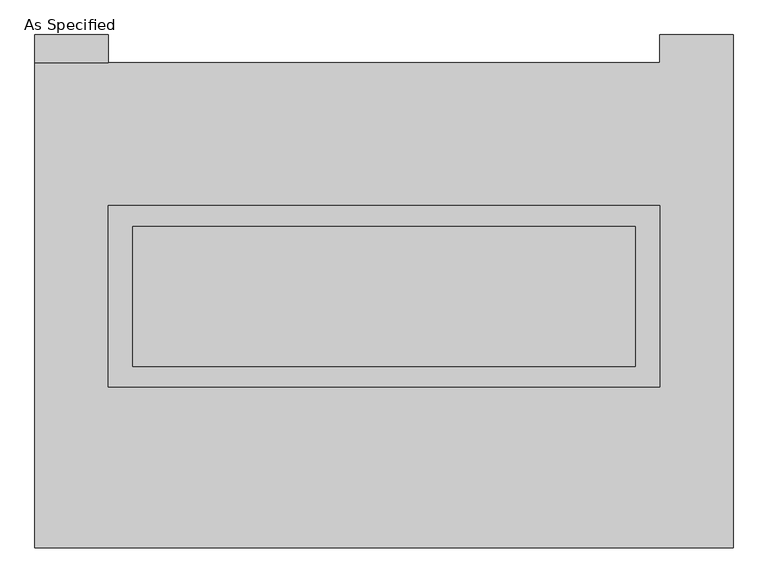
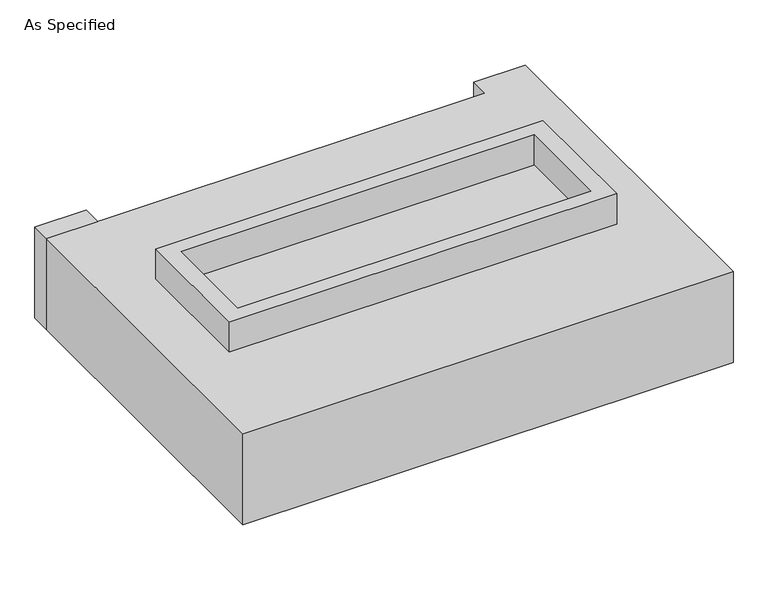
"""IFC4 building model written with IfcOpenShell, lengths in millimetres: proxy geometry, As Specified."""

import ifcopenshell
import ifcopenshell.guid

model = None  # the IFC model being written
_history = None  # IfcOwnerHistory: only IFC2X3 demands one
_inside = {}  # id of a spatial element -> (the spatial element, [elements in it])
_under = {}  # id of a project, library or spatial element -> (it, [spatial elements below it])
_declared = {}  # id of a project -> (the project, [libraries it declares])
_typed = {}  # id of a type object -> (the type object, [elements of that type])
_made_of = {}  # id of a material, layer set ... -> (it, [elements and type objects made of it])


def new_model(schema):
    """Start an empty IFC model of exactly this schema.

    Asked for "IFC4X3", IfcOpenShell would pick the latest addendum, in which some entities
    have other attributes; the version numbers below select the first issue.
    IFC2X3 requires an IfcOwnerHistory on every rooted entity: one is made here for all.
    """
    global model, _history
    if schema == "IFC4X3":
        model = ifcopenshell.file(schema_version=(4, 3, 0, 0))
    else:
        model = ifcopenshell.file(schema=schema)
    _inside.clear()
    _under.clear()
    _declared.clear()
    _typed.clear()
    _made_of.clear()
    _history = None
    if model.schema == "IFC2X3":
        org = make("IfcOrganization", Name="unknown")
        user = make(
            "IfcPersonAndOrganization",
            ThePerson=make("IfcPerson", FamilyName="unknown"),
            TheOrganization=org,
        )
        app = make(
            "IfcApplication",
            ApplicationDeveloper=org,
            Version="unknown",
            ApplicationFullName="unknown",
            ApplicationIdentifier="unknown",
        )
        _history = make(
            "IfcOwnerHistory",
            OwningUser=user,
            OwningApplication=app,
            ChangeAction="ADDED",
            CreationDate=0,
        )
    return model


def make(cls, **values):
    """One entity of the class cls with the attributes given. An attribute that is None is left unset."""
    return model.create_entity(
        cls, **{name: value for name, value in values.items() if value is not None}
    )


def rooted(cls, **values):
    """An entity with a GlobalId (a new one), such as an element, a storey or a relation."""
    return make(cls, GlobalId=ifcopenshell.guid.new(), OwnerHistory=_history, **values)


def si_unit(unit_type, name, prefix=None):
    """IfcSIUnit, for example si_unit("LENGTHUNIT", "METRE", prefix="MILLI")."""
    return make("IfcSIUnit", UnitType=unit_type, Prefix=prefix, Name=name)


def assignment(units):
    """IfcUnitAssignment: the units of a project."""
    return None if units is None else make("IfcUnitAssignment", Units=units)


def point(xyz):
    """IfcCartesianPoint."""
    return None if xyz is None else make("IfcCartesianPoint", Coordinates=xyz)


def direction(xyz):
    """IfcDirection."""
    return None if xyz is None else make("IfcDirection", DirectionRatios=xyz)


def frame(location, z_axis=None, x_axis=None):
    """IfcAxis2Placement3D, a coordinate frame: its origin and axes. An axis left out is left unset."""
    return make(
        "IfcAxis2Placement3D",
        Location=point(location),
        Axis=direction(z_axis),
        RefDirection=direction(x_axis),
    )


def origin():
    """The frame at (0, 0, 0) with its axes left unset."""
    return frame((0.0, 0.0, 0.0))


def place(relative_to, where):
    """IfcLocalPlacement: puts the frame where relative to a parent placement (None: the world)."""
    return make(
        "IfcLocalPlacement", PlacementRelTo=relative_to, RelativePlacement=where
    )


def context(
    kind, dimensions, precision=None, world=None, true_north=None, identifier=None
):
    """IfcGeometricRepresentationContext, for example the 3D "Model" context."""
    return make(
        "IfcGeometricRepresentationContext",
        ContextIdentifier=identifier,
        ContextType=kind,
        CoordinateSpaceDimension=dimensions,
        Precision=precision,
        WorldCoordinateSystem=world,
        TrueNorth=true_north,
    )


def project(units=None, contexts=None):
    """IfcProject with its units and contexts."""
    return rooted(
        "IfcProject",
        Name="project",
        RepresentationContexts=contexts,
        UnitsInContext=assignment(units),
    )


def spatial(cls, under=None, at=None, **own):
    """A site, building, storey or space (cls), placed at a placement, below another one or the project."""
    s = rooted(cls, ObjectPlacement=at, **own)
    if under is not None:
        _under.setdefault(under.id(), (under, []))[1].append(s)
    return s


def polyline(points):
    """IfcPolyline through the points."""
    return make("IfcPolyline", Points=[point(p) for p in points])


def outline(outer, holes=None, kind="AREA"):
    """IfcArbitraryClosedProfileDef: a profile drawn as a closed curve; with holes, ...WithVoids."""
    if holes is None:
        return make("IfcArbitraryClosedProfileDef", ProfileType=kind, OuterCurve=outer)
    return make(
        "IfcArbitraryProfileDefWithVoids",
        ProfileType=kind,
        OuterCurve=outer,
        InnerCurves=holes,
    )


def extrude(swept, where, along, depth):
    """IfcExtrudedAreaSolid: the profile swept, set in the frame where, extruded along a direction by depth."""
    return make(
        "IfcExtrudedAreaSolid",
        SweptArea=swept,
        Position=where,
        ExtrudedDirection=direction(along),
        Depth=depth,
    )


def shape(context_of_items, identifier, shape_type, items):
    """IfcShapeRepresentation: the items that make up one representation, for example the "Body"."""
    return make(
        "IfcShapeRepresentation",
        ContextOfItems=context_of_items,
        RepresentationIdentifier=identifier,
        RepresentationType=shape_type,
        Items=items,
    )


def source(mapping_origin, context_of_items, identifier, shape_type, items):
    """IfcRepresentationMap: a shape defined once, which mapped items show again and again."""
    return make(
        "IfcRepresentationMap",
        MappingOrigin=mapping_origin,
        MappedRepresentation=shape(context_of_items, identifier, shape_type, items),
    )


def transform(
    local_origin,
    x_axis=None,
    y_axis=None,
    z_axis=None,
    scale=None,
    scale2=None,
    scale3=None,
    uniform=True,
):
    """IfcCartesianTransformationOperator3D, or its non-uniform kind. x_axis, y_axis, z_axis: its Axis1, 2, 3."""
    if uniform:
        return make(
            "IfcCartesianTransformationOperator3D",
            Axis1=direction(x_axis),
            Axis2=direction(y_axis),
            LocalOrigin=point(local_origin),
            Scale=scale,
            Axis3=direction(z_axis),
        )
    return make(
        "IfcCartesianTransformationOperator3DnonUniform",
        Axis1=direction(x_axis),
        Axis2=direction(y_axis),
        LocalOrigin=point(local_origin),
        Scale=scale,
        Axis3=direction(z_axis),
        Scale2=scale2,
        Scale3=scale3,
    )


def mapped(mapping_source, mapping_target):
    """IfcMappedItem: shows the shape of a source again, moved by a transform."""
    return make(
        "IfcMappedItem", MappingSource=mapping_source, MappingTarget=mapping_target
    )


def made_of(thing, what):
    """Note that an element or type object is made of a material, layer set ...; save() writes the relation."""
    if what is not None:
        _made_of.setdefault(what.id(), (what, []))[1].append(thing)
    return thing


def element(
    cls,
    number,
    at=None,
    inside=None,
    cuts=None,
    type_object=None,
    material=None,
    context=None,
    identifier="Body",
    shape_type=None,
    held_by="IfcProductDefinitionShape",
    body=None,
    shapes=None,
    **own,
):
    """One element of the class cls, such as IfcWall. Its Tag is "e" and its number.

    at: its placement. inside: the storey or other place that contains it. cuts: it is an
    opening in that element (IfcRelVoidsElement). A single representation is given by context,
    identifier, shape_type and body (its items); several are given by shapes. held_by: the class
    of the entity that holds the representations. save() writes the other relations.
    """
    e = rooted(cls, Tag="e%d" % number, ObjectPlacement=at, **own)
    if body is not None:
        shapes = [shape(context, identifier, shape_type, body)]
    if shapes is not None:
        e.Representation = make(held_by, Representations=shapes)
    if inside is not None:
        _inside.setdefault(inside.id(), (inside, []))[1].append(e)
    if cuts is not None:
        rooted(
            "IfcRelVoidsElement", RelatingBuildingElement=cuts, RelatedOpeningElement=e
        )
    if type_object is not None:
        _typed.setdefault(type_object.id(), (type_object, []))[1].append(e)
    return made_of(e, material)


def aggregate(whole, parts):
    """IfcRelAggregates: a whole, such as a stair, and the parts it consists of."""
    return rooted("IfcRelAggregates", RelatingObject=whole, RelatedObjects=parts)


def save(model, path):
    """Write the relations noted so far, then the file.

    IfcRelAggregates (storeys below a building ...), IfcRelContainedInSpatialStructure (elements
    in a storey), IfcRelDefinesByType, IfcRelAssociatesMaterial and IfcRelDeclares: one each for
    every whole, place, type object, material and project.
    """
    for whole, parts in _under.values():
        aggregate(whole, parts)
    for where, things in _inside.values():
        rooted(
            "IfcRelContainedInSpatialStructure",
            RelatedElements=things,
            RelatingStructure=where,
        )
    for kind, things in _typed.values():
        rooted("IfcRelDefinesByType", RelatedObjects=things, RelatingType=kind)
    for what, things in _made_of.values():
        rooted("IfcRelAssociatesMaterial", RelatedObjects=things, RelatingMaterial=what)
    for by, libraries in _declared.values():
        rooted("IfcRelDeclares", RelatingContext=by, RelatedDefinitions=libraries)
    model.write(path)


def as_specified_310ec2e5(model_context):
    return source(origin(), model_context, "Body", "SweptSolid", [
        extrude(outline(polyline([(1003.3, 361.95), (1003.3, -298.45), (-1003.3, -298.45), (-1003.3, 361.95), (1003.3, 361.95)]), holes=[polyline([(914.4, 285.75), (-914.4, 285.75), (-914.4, -222.25), (914.4, -222.25), (914.4, 285.75)])]), frame((0.0, 0.0, -688.975), z_axis=(0.0, 0.0, 1.0), x_axis=(1.0, 0.0, 0.0)), (0.0, 0.0, 1.0), 165.1),
        extrude(outline(polyline([(1003.3, 361.95), (1003.3, -298.45), (-1003.3, -298.45), (-1003.3, 361.95), (1003.3, 361.95)]), holes=[polyline([(914.4, 285.75), (-914.4, 285.75), (-914.4, -222.25), (914.4, -222.25), (914.4, 285.75)])]), frame((0.0, 0.0, -25.4), z_axis=(0.0, 0.0, 1.0), x_axis=(1.0, 0.0, 0.0)), (0.0, 0.0, 1.0), 165.1),
        extrude(outline(polyline([(-1003.3, 882.65), (-1270.0, 882.65), (-1270.0, 984.25), (-1003.3, 984.25), (-1003.3, 882.65)])), frame((0.0, 0.0, -523.875), z_axis=(0.0, 0.0, 1.0), x_axis=(1.0, 0.0, 0.0)), (0.0, 0.0, 1.0), 498.475),
        extrude(outline(polyline([(914.4, 285.75), (914.4, -222.25), (-914.4, -222.25), (-914.4, 285.75), (914.4, 285.75)])), frame((0.0, 0.0, -523.875), z_axis=(0.0, 0.0, 1.0), x_axis=(1.0, 0.0, 0.0)), (0.0, 0.0, 1.0), 4.9609375),
        extrude(outline(polyline([(914.4, 285.75), (914.4, -222.25), (-914.4, -222.25), (-914.4, 285.75), (914.4, 285.75)])), frame((0.0, 0.0, -30.3609375), z_axis=(0.0, 0.0, 1.0), x_axis=(1.0, 0.0, 0.0)), (0.0, 0.0, 1.0), 4.9609375),
        extrude(outline(polyline([(1270.0, -882.65), (-1270.0, -882.65), (-1270.0, 882.65), (1003.3, 882.65), (1003.3, 984.25), (1270.0, 984.25), (1270.0, -882.65)]), holes=[polyline([(-1003.3, 361.95), (-1003.3, -298.45), (1003.3, -298.45), (1003.3, 361.95), (-1003.3, 361.95)])]), frame((0.0, 0.0, -523.875), z_axis=(0.0, 0.0, 1.0), x_axis=(1.0, 0.0, 0.0)), (0.0, 0.0, 1.0), 498.475),
    ])


if __name__ == "__main__":
    model = new_model("IFC4")
    model_context = context("Model", 3, world=origin())
    ifc_project = project(units=[si_unit("LENGTHUNIT", "METRE", prefix="MILLI")], contexts=[model_context])
    site = spatial("IfcSite", under=ifc_project)
    building = spatial("IfcBuilding", under=site)
    placement = place(None, origin())
    as_specified_shape = as_specified_310ec2e5(model_context)
    element("IfcBuildingElementProxy", 1, Name="As Specified", ObjectType="As Specified", at=placement, inside=building, context=model_context, shape_type="MappedRepresentation", body=[
        mapped(as_specified_shape, transform((0.0, 0.0, 0.0), x_axis=(1.0, 0.0, 0.0), y_axis=(0.0, 1.0, 0.0), z_axis=(0.0, 0.0, 1.0))),
    ])
    save(model, "model.ifc")
